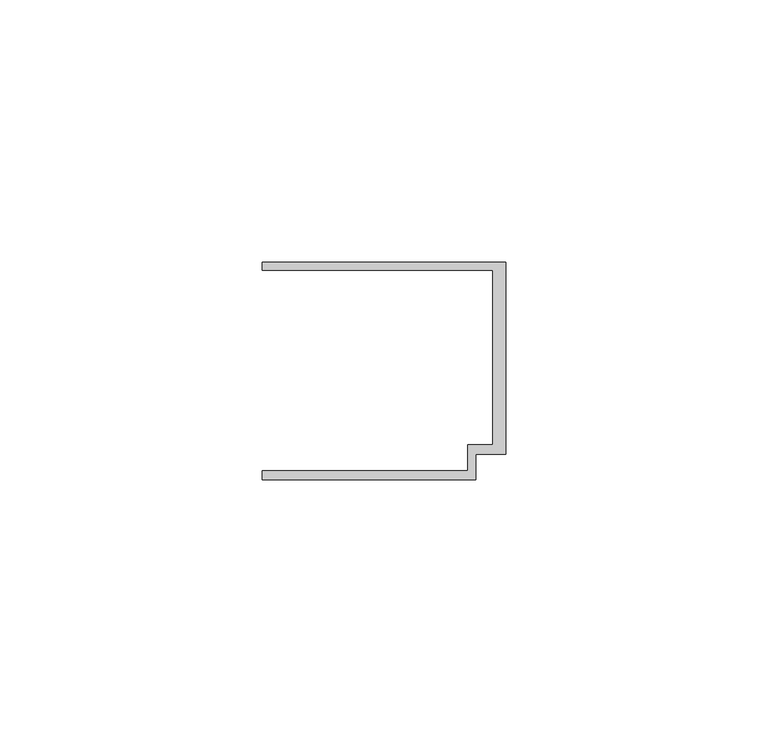
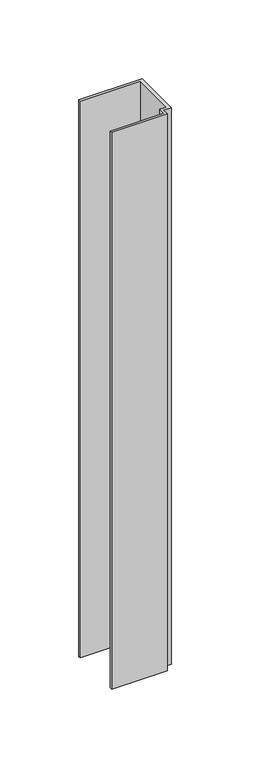
"""IFC4 building model written with IfcOpenShell, lengths in millimetres: member geometry."""

from ifc_helpers import new_model, si_unit, frame, origin, place, context, project, spatial, polyline, outline, extrude, source, transform, mapped, element, save


def member_2aa5ac6a(model_context):
    return source(origin(), model_context, "Body", "SweptSolid", [
        extrude(outline(polyline([(-46.3, 19.2), (-46.3, 20.7), (0.0, 20.7), (0.0, -15.8), (-5.6999992, -15.8), (-5.6999992, -20.7), (-46.3, -20.7), (-46.3, -19.0), (-7.2, -19.0), (-7.2, -14.0), (-2.4, -14.0), (-2.4, 19.2), (-46.3, 19.2)])), frame((0.0, 0.0, -430.4631347), z_axis=(0.0, 0.0, 1.0), x_axis=(1.0, 0.0, 0.0)), (0.0, 0.0, 1.0), 430.4631347),
    ])


if __name__ == "__main__":
    model = new_model("IFC4")
    model_context = context("Model", 3, world=origin())
    ifc_project = project(units=[si_unit("LENGTHUNIT", "METRE", prefix="MILLI")], contexts=[model_context])
    site = spatial("IfcSite", under=ifc_project)
    building = spatial("IfcBuilding", under=site)
    placement = place(None, origin())
    member_shape = member_2aa5ac6a(model_context)
    element("IfcMember", 1, at=placement, inside=building, context=model_context, shape_type="MappedRepresentation", body=[
        mapped(member_shape, transform((0.0, 0.0, 0.0), x_axis=(1.0, 0.0, 0.0), y_axis=(0.0, 1.0, 0.0), z_axis=(0.0, 0.0, 1.0))),
    ])
    save(model, "model.ifc")
